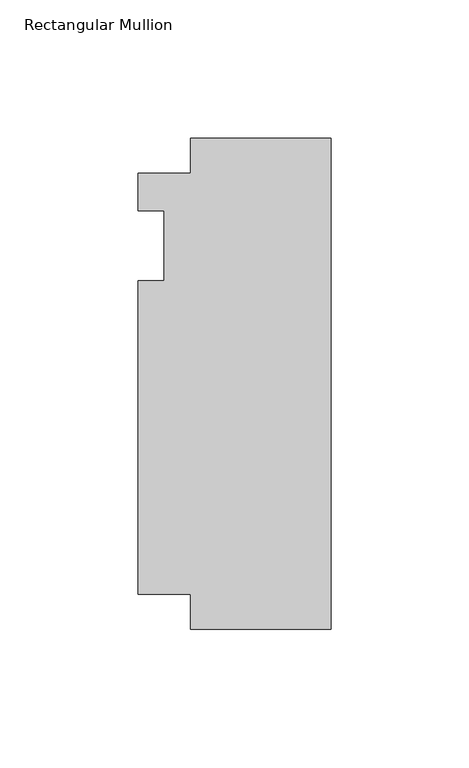
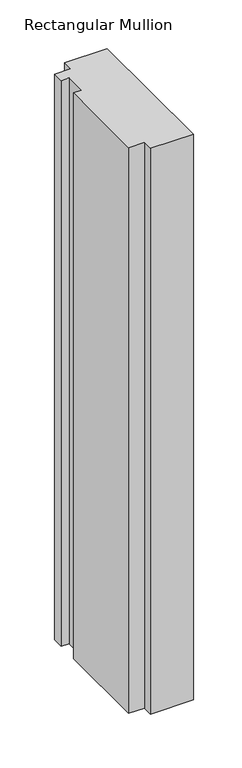
"""IFC4 building model written with IfcOpenShell, lengths in millimetres: member geometry, Rectangular Mullion."""

from ifc_helpers import new_model, si_unit, frame, origin, place, context, project, spatial, polyline, outline, extrude, source, transform, mapped, element, save


def rectangular_mullion_b8046c7d(model_context):
    return source(origin(), model_context, "Body", "SweptSolid", [
        extrude(outline(polyline([(-69.85, 26.19375), (-50.8, 26.19375), (-50.8, 38.8943162), (0.0, 38.8943162), (0.0, -138.90625), (-50.8, -138.90625), (-50.8, -126.20625), (-69.85, -126.20625), (-69.85, -12.7), (-60.325, -12.7), (-60.325, 12.7), (-69.85, 12.7), (-69.85, 26.19375)])), frame((0.0, 0.0, -711.2), z_axis=(0.0, 0.0, 1.0), x_axis=(1.0, 0.0, 0.0)), (0.0, 0.0, 1.0), 711.2),
    ])


if __name__ == "__main__":
    model = new_model("IFC4")
    model_context = context("Model", 3, world=origin())
    ifc_project = project(units=[si_unit("LENGTHUNIT", "METRE", prefix="MILLI")], contexts=[model_context])
    site = spatial("IfcSite", under=ifc_project)
    building = spatial("IfcBuilding", under=site)
    placement = place(None, origin())
    rectangular_mullion_shape = rectangular_mullion_b8046c7d(model_context)
    element("IfcMember", 1, ObjectType="Rectangular Mullion", at=placement, inside=building, context=model_context, shape_type="MappedRepresentation", body=[
        mapped(rectangular_mullion_shape, transform((0.0, 0.0, 0.0), x_axis=(1.0, 0.0, 0.0), y_axis=(0.0, 1.0, 0.0), z_axis=(0.0, 0.0, 1.0))),
    ])
    save(model, "model.ifc")
